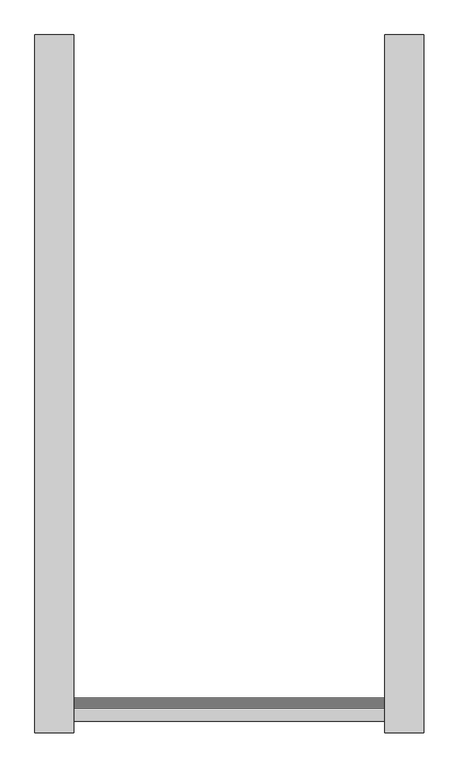
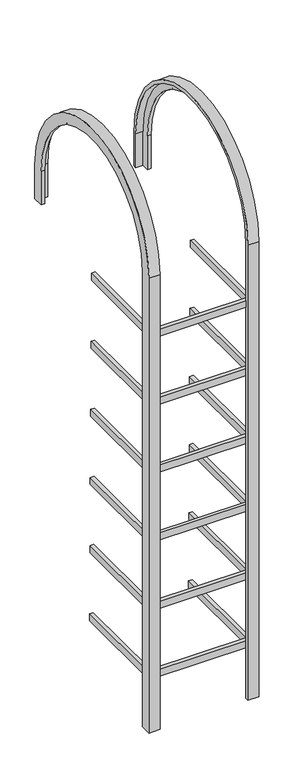
"""IFC4 building model written with IfcOpenShell, lengths in millimetres: proxy geometry."""

from ifc_helpers import new_model, si_unit, frame, origin, place, context, project, spatial, polyline, circle_curve, outline, extrude, source, transform, mapped, element, save
from ifc_brep_helpers import plane_surface, cylinder_surface, revolved_surface, advanced_brep


def mechanical_equipment_b84c8198(model_context):
    return source(origin(), model_context, "Body", "SolidModel", [
        extrude(outline(polyline([(-325.0, -340.7715803), (-325.0, -1015.7715803), (325.0, -1015.7715803), (325.0, -340.7715803), (350.0, -340.7715803), (350.0, -1040.7715803), (-350.0, -1040.7715803), (-350.0, -340.7715803), (-325.0, -340.7715803)])), frame((0.0, 0.0, 1128.4544689), z_axis=(0.0, 0.0, 1.0), x_axis=(1.0, 0.0, 0.0)), (0.0, 0.0, 1.0), 50.0),
        extrude(outline(polyline([(-325.0, -344.7715803), (-325.0, -1019.7715803), (325.0, -1019.7715803), (325.0, -344.7715803), (350.0, -344.7715803), (350.0, -1044.7715803), (-350.0, -1044.7715803), (-350.0, -344.7715803), (-325.0, -344.7715803)])), frame((0.0, 0.0, 1621.2305087), z_axis=(0.0, 0.0, 1.0), x_axis=(1.0, 0.0, 0.0)), (0.0, 0.0, 1.0), 50.0),
        extrude(outline(polyline([(-325.0, -348.7715803), (-325.0, -1023.7715803), (325.0, -1023.7715803), (325.0, -348.7715803), (350.0, -348.7715803), (350.0, -1048.7715803), (-350.0, -1048.7715803), (-350.0, -348.7715803), (-325.0, -348.7715803)])), frame((0.0, 0.0, 2114.0065485), z_axis=(0.0, 0.0, 1.0), x_axis=(1.0, 0.0, 0.0)), (0.0, 0.0, 1.0), 50.0),
        extrude(outline(polyline([(-325.0, -352.7715803), (-325.0, -1027.7715803), (325.0, -1027.7715803), (325.0, -352.7715803), (350.0, -352.7715803), (350.0, -1052.7715803), (-350.0, -1052.7715803), (-350.0, -352.7715803), (-325.0, -352.7715803)])), frame((0.0, 0.0, 2606.7825883), z_axis=(0.0, 0.0, 1.0), x_axis=(1.0, 0.0, 0.0)), (0.0, 0.0, 1.0), 50.0),
        extrude(outline(polyline([(-325.0, -336.7715803), (-325.0, -1011.7715803), (325.0, -1011.7715803), (325.0, -336.7715803), (350.0, -336.7715803), (350.0, -1036.7715803), (-350.0, -1036.7715803), (-350.0, -336.7715803), (-325.0, -336.7715803)])), frame((0.0, 0.0, 635.6784291), z_axis=(0.0, 0.0, 1.0), x_axis=(1.0, 0.0, 0.0)), (0.0, 0.0, 1.0), 50.0),
        extrude(outline(polyline([(-325.0, -356.7715803), (-325.0, -1031.7715803), (325.0, -1031.7715803), (325.0, -356.7715803), (350.0, -356.7715803), (350.0, -1056.7715803), (-350.0, -1056.7715803), (-350.0, -356.7715803), (-325.0, -356.7715803)])), frame((0.0, 0.0, 3099.5586281), z_axis=(0.0, 0.0, 1.0), x_axis=(1.0, 0.0, 0.0)), (0.0, 0.0, 1.0), 50.0),
        advanced_brep(
        [(-375.0, -1078.7473865, 285.6784291), (-375.0, -1003.7473865, 285.6784291), (-350.0, -1003.7473865, 285.6784291), (-350.0, -1056.7715803, 285.6784291), (-300.1244328, -1056.7715803, 285.6784291), (-300.1244328, -1078.7473865, 285.6784291), (-375.0, -1078.7473865, 3558.4439221), (-375.0, 267.3676134, 3558.4439221), (-375.0, 267.3676134, 3315.6640513), (-375.0, 192.3676134, 3315.6640513), (-375.0, 192.3676134, 3558.4439221), (-375.0, -1003.7473865, 3558.4439221), (-350.0, -1003.7473865, 3558.4439221), (-350.0, 192.3676134, 3558.4439221), (-350.0, 192.3676134, 3315.6640513), (-350.0, 245.3918072, 3315.6640513), (-350.0, 245.3918072, 3558.4439221), (-350.0, -1056.7715803, 3558.4439221), (-300.1244328, -1056.7715803, 3558.4439221), (-300.1244328, 245.3918072, 3558.4439221), (-300.1244328, 245.3918072, 3315.6640513), (-300.1244328, 267.3676134, 3315.6640513), (-300.1244328, 267.3676134, 3558.4439221), (-300.1244328, -1078.7473865, 3558.4439221)],
        [
            (0, 1),
            (1, 2),
            (2, 3),
            (3, 4),
            (4, 5),
            (5, 0),
            (0, 6),
            (6, 7, circle_curve(frame((-375.0, -405.6898866, 3558.4439221), z_axis=(-1.0, 0.0, 0.0), x_axis=(0.0, -1.0, 0.0)), 673.0575)),
            (7, 8),
            (8, 9),
            (9, 10),
            (10, 11, circle_curve(frame((-375.0, -405.6898866, 3558.4439221), z_axis=(1.0, 0.0, 0.0), x_axis=(0.0, -1.0, 0.0)), 598.0575)),
            (11, 1),
            (11, 12),
            (12, 2),
            (12, 13, circle_curve(frame((-350.0, -405.6898866, 3558.4439221), z_axis=(-1.0, 0.0, 0.0), x_axis=(0.0, -1.0, 0.0)), 598.0575)),
            (13, 14),
            (14, 15),
            (15, 16),
            (16, 17, circle_curve(frame((-350.0, -405.6898866, 3558.4439221), z_axis=(1.0, 0.0, 0.0), x_axis=(0.0, -1.0, 0.0)), 651.0816938)),
            (17, 3),
            (17, 18),
            (18, 4),
            (18, 19, circle_curve(frame((-300.1244328, -405.6898866, 3558.4439221), z_axis=(-1.0, 0.0, 0.0), x_axis=(0.0, -1.0, 0.0)), 651.0816938)),
            (19, 20),
            (20, 21),
            (21, 22),
            (22, 23, circle_curve(frame((-300.1244328, -405.6898866, 3558.4439221), z_axis=(1.0, 0.0, 0.0), x_axis=(0.0, -1.0, 0.0)), 673.0575)),
            (23, 5),
            (23, 6),
            (10, 13),
            (16, 19),
            (22, 7),
            (8, 21),
            (20, 15),
            (14, 9),
        ],
        [
            plane_surface(frame((-350.0, -1056.7715803, 285.6784291), z_axis=(0.0, 0.0, -1.0), x_axis=(1.0, 0.0, 0.0))),
            plane_surface(frame((-375.0, -1003.7473865, 285.6784291), z_axis=(-1.0, 0.0, 0.0), x_axis=(0.0, 0.0, 1.0))),
            plane_surface(frame((-350.0, -1003.7473865, 285.6784291), z_axis=(0.0, 1.0, 0.0), x_axis=(0.0, 0.0, 1.0))),
            plane_surface(frame((-350.0, -1056.7715803, 285.6784291), z_axis=(1.0, 0.0, 0.0), x_axis=(0.0, 0.0, 1.0))),
            plane_surface(frame((-300.1244328, -1056.7715803, 285.6784291), z_axis=(0.0, 1.0, 0.0), x_axis=(0.0, 0.0, 1.0))),
            plane_surface(frame((-300.1244328, -1078.7473865, 285.6784291), z_axis=(1.0, 0.0, 0.0), x_axis=(0.0, 0.0, 1.0))),
            plane_surface(frame((-375.0, -1078.7473865, 285.6784291), z_axis=(0.0, -1.0, 0.0), x_axis=(0.0, 0.0, 1.0))),
            revolved_surface(polyline([(-350.0, -1003.7473866, 3558.4439221), (-375.0, -1003.7473866, 3558.4439221)]), (-350.0, -405.6898866, 3558.4439221), (1.0, 0.0, 0.0)),
            revolved_surface(polyline([(-300.1244328, -1056.7715804, 3558.4439221), (-350.0, -1056.7715804, 3558.4439221)]), (-350.0, -405.6898866, 3558.4439221), (1.0, 0.0, 0.0)),
            cylinder_surface(frame((-350.0, -405.6898866, 3558.4439221), z_axis=(1.0, 0.0, 0.0), x_axis=(0.0, -1.0, 0.0)), 673.0575),
            plane_surface(frame((-350.0, 245.3918072, 3315.6640513), z_axis=(0.0, 0.0, -1.0), x_axis=(1.0, 0.0, 0.0))),
            plane_surface(frame((-350.0, 192.3676134, 3558.4439221), z_axis=(0.0, -1.0, 0.0), x_axis=(0.0, 0.0, -1.0))),
            plane_surface(frame((-300.1244328, 245.3918072, 3558.4439221), z_axis=(0.0, -1.0, 0.0), x_axis=(0.0, 0.0, -1.0))),
            plane_surface(frame((-375.0, 267.3676134, 3558.4439221), z_axis=(0.0, 1.0, 0.0), x_axis=(0.0, 0.0, -1.0))),
        ],
        [
            (0, [[1, 2, 3, 4, 5, 6]]),
            (1, [[7, 8, 9, 10, 11, 12, 13, -1]]),
            (2, [[-13, 14, 15, -2]]),
            (3, [[-15, 16, 17, 18, 19, 20, 21, -3]]),
            (4, [[-21, 22, 23, -4]]),
            (5, [[-23, 24, 25, 26, 27, 28, 29, -5]]),
            (6, [[-29, 30, -7, -6]]),
            (7, [[31, -16, -14, -12]]),
            (8, [[32, -24, -22, -20]]),
            (9, [[33, -8, -30, -28]]),
            (10, [[34, -26, 35, -18, 36, -10]]),
            (11, [[-11, -36, -17, -31]]),
            (12, [[-19, -35, -25, -32]]),
            (13, [[-27, -34, -9, -33]]),
        ],
    ),
        advanced_brep(
        [(375.0, -1078.7473865, 285.6784291), (300.1244328, -1078.7473865, 285.6784291), (300.1244328, -1056.7715803, 285.6784291), (350.0, -1056.7715803, 285.6784291), (350.0, -1003.7473865, 285.6784291), (375.0, -1003.7473865, 285.6784291), (375.0, -1003.7473865, 3558.4439221), (375.0, 192.3676134, 3558.4439221), (375.0, 192.3676134, 3315.6640513), (375.0, 267.3676134, 3315.6640513), (375.0, 267.3676134, 3558.4439221), (375.0, -1078.7473865, 3558.4439221), (350.0, -1003.7473865, 3558.4439221), (350.0, -1056.7715803, 3558.4439221), (350.0, 245.3918072, 3558.4439221), (350.0, 245.3918072, 3315.6640513), (350.0, 192.3676134, 3315.6640513), (350.0, 192.3676134, 3558.4439221), (300.1244328, -1056.7715803, 3558.4439221), (300.1244328, -1078.7473865, 3558.4439221), (300.1244328, 267.3676134, 3558.4439221), (300.1244328, 267.3676134, 3315.6640513), (300.1244328, 245.3918072, 3315.6640513), (300.1244328, 245.3918072, 3558.4439221)],
        [
            (0, 1),
            (1, 2),
            (2, 3),
            (3, 4),
            (4, 5),
            (5, 0),
            (5, 6),
            (6, 7, circle_curve(frame((375.0, -405.6898866, 3558.4439221), z_axis=(-1.0, 0.0, 0.0), x_axis=(0.0, -1.0, 0.0)), 598.0575)),
            (7, 8),
            (8, 9),
            (9, 10),
            (10, 11, circle_curve(frame((375.0, -405.6898866, 3558.4439221), z_axis=(1.0, 0.0, 0.0), x_axis=(0.0, -1.0, 0.0)), 673.0575)),
            (11, 0),
            (4, 12),
            (12, 6),
            (3, 13),
            (13, 14, circle_curve(frame((350.0, -405.6898866, 3558.4439221), z_axis=(-1.0, 0.0, 0.0), x_axis=(0.0, -1.0, 0.0)), 651.0816938)),
            (14, 15),
            (15, 16),
            (16, 17),
            (17, 12, circle_curve(frame((350.0, -405.6898866, 3558.4439221), z_axis=(1.0, 0.0, 0.0), x_axis=(0.0, -1.0, 0.0)), 598.0575)),
            (2, 18),
            (18, 13),
            (1, 19),
            (19, 20, circle_curve(frame((300.1244328, -405.6898866, 3558.4439221), z_axis=(-1.0, 0.0, 0.0), x_axis=(0.0, -1.0, 0.0)), 673.0575)),
            (20, 21),
            (21, 22),
            (22, 23),
            (23, 18, circle_curve(frame((300.1244328, -405.6898866, 3558.4439221), z_axis=(1.0, 0.0, 0.0), x_axis=(0.0, -1.0, 0.0)), 651.0816938)),
            (11, 19),
            (17, 7),
            (23, 14),
            (10, 20),
            (8, 16),
            (15, 22),
            (21, 9),
        ],
        [
            plane_surface(frame((350.0, -1056.7715803, 285.6784291), z_axis=(0.0, 0.0, -1.0), x_axis=(1.0, 0.0, 0.0))),
            plane_surface(frame((375.0, -1078.7473865, 285.6784291), z_axis=(1.0, 0.0, 0.0), x_axis=(0.0, 0.0, 1.0))),
            plane_surface(frame((375.0, -1003.7473865, 285.6784291), z_axis=(0.0, 1.0, 0.0), x_axis=(0.0, 0.0, 1.0))),
            plane_surface(frame((350.0, -1003.7473865, 285.6784291), z_axis=(-1.0, 0.0, 0.0), x_axis=(0.0, 0.0, 1.0))),
            plane_surface(frame((350.0, -1056.7715803, 285.6784291), z_axis=(0.0, 1.0, 0.0), x_axis=(0.0, 0.0, 1.0))),
            plane_surface(frame((300.1244328, -1056.7715803, 285.6784291), z_axis=(-1.0, 0.0, 0.0), x_axis=(0.0, 0.0, 1.0))),
            plane_surface(frame((300.1244328, -1078.7473865, 285.6784291), z_axis=(0.0, -1.0, 0.0), x_axis=(0.0, 0.0, 1.0))),
            revolved_surface(polyline([(375.0, -1003.7473866, 3558.4439221), (350.0, -1003.7473866, 3558.4439221)]), (350.0, -405.6898866, 3558.4439221), (1.0, 0.0, 0.0)),
            revolved_surface(polyline([(350.0, -1056.7715804, 3558.4439221), (300.1244328, -1056.7715804, 3558.4439221)]), (350.0, -405.6898866, 3558.4439221), (1.0, 0.0, 0.0)),
            cylinder_surface(frame((350.0, -405.6898866, 3558.4439221), z_axis=(1.0, 0.0, 0.0), x_axis=(0.0, -1.0, 0.0)), 673.0575),
            plane_surface(frame((350.0, 245.3918072, 3315.6640513), z_axis=(0.0, 0.0, -1.0), x_axis=(1.0, 0.0, 0.0))),
            plane_surface(frame((375.0, 192.3676134, 3558.4439221), z_axis=(0.0, -1.0, 0.0), x_axis=(0.0, 0.0, -1.0))),
            plane_surface(frame((350.0, 245.3918072, 3558.4439221), z_axis=(0.0, -1.0, 0.0), x_axis=(0.0, 0.0, -1.0))),
            plane_surface(frame((300.1244328, 267.3676134, 3558.4439221), z_axis=(0.0, 1.0, 0.0), x_axis=(0.0, 0.0, -1.0))),
        ],
        [
            (0, [[1, 2, 3, 4, 5, 6]]),
            (1, [[7, 8, 9, 10, 11, 12, 13, -6]]),
            (2, [[14, 15, -7, -5]]),
            (3, [[16, 17, 18, 19, 20, 21, -14, -4]]),
            (4, [[22, 23, -16, -3]]),
            (5, [[24, 25, 26, 27, 28, 29, -22, -2]]),
            (6, [[-13, 30, -24, -1]]),
            (7, [[31, -8, -15, -21]]),
            (8, [[32, -17, -23, -29]]),
            (9, [[33, -25, -30, -12]]),
            (10, [[-10, 34, -19, 35, -27, 36]]),
            (11, [[-20, -34, -9, -31]]),
            (12, [[-28, -35, -18, -32]]),
            (13, [[-11, -36, -26, -33]]),
        ],
    ),
    ])


if __name__ == "__main__":
    model = new_model("IFC4")
    model_context = context("Model", 3, world=origin())
    ifc_project = project(units=[si_unit("LENGTHUNIT", "METRE", prefix="MILLI")], contexts=[model_context])
    site = spatial("IfcSite", under=ifc_project)
    building = spatial("IfcBuilding", under=site)
    placement = place(None, origin())
    mechanical_equipment_shape = mechanical_equipment_b84c8198(model_context)
    element("IfcBuildingElementProxy", 1, Name="Mechanical Equipment", at=placement, inside=building, context=model_context, shape_type="MappedRepresentation", body=[
        mapped(mechanical_equipment_shape, transform((0.0, 0.0, 0.0), x_axis=(1.0, 0.0, 0.0), y_axis=(0.0, 1.0, 0.0), z_axis=(0.0, 0.0, 1.0))),
    ])
    save(model, "model.ifc")
